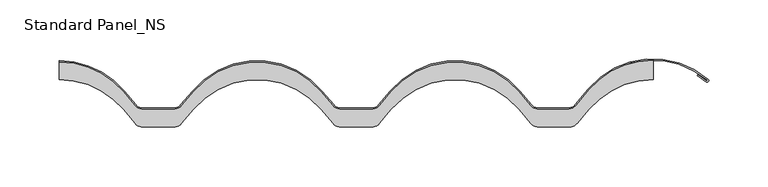
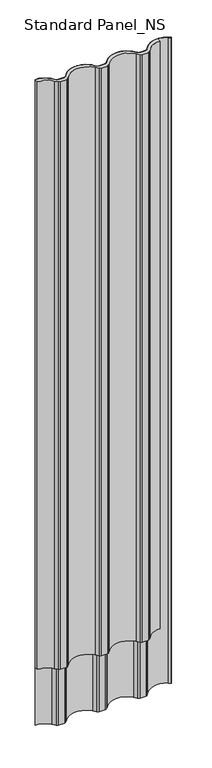
"""IFC4 building model written with IfcOpenShell, lengths in millimetres: proxy geometry, Standard Panel_NS."""

import ifcopenshell
import ifcopenshell.guid

model = None  # the IFC model being written
_history = None  # IfcOwnerHistory: only IFC2X3 demands one
_inside = {}  # id of a spatial element -> (the spatial element, [elements in it])
_under = {}  # id of a project, library or spatial element -> (it, [spatial elements below it])
_declared = {}  # id of a project -> (the project, [libraries it declares])
_typed = {}  # id of a type object -> (the type object, [elements of that type])
_made_of = {}  # id of a material, layer set ... -> (it, [elements and type objects made of it])


def new_model(schema):
    """Start an empty IFC model of exactly this schema.

    Asked for "IFC4X3", IfcOpenShell would pick the latest addendum, in which some entities
    have other attributes; the version numbers below select the first issue.
    IFC2X3 requires an IfcOwnerHistory on every rooted entity: one is made here for all.
    """
    global model, _history
    if schema == "IFC4X3":
        model = ifcopenshell.file(schema_version=(4, 3, 0, 0))
    else:
        model = ifcopenshell.file(schema=schema)
    _inside.clear()
    _under.clear()
    _declared.clear()
    _typed.clear()
    _made_of.clear()
    _history = None
    if model.schema == "IFC2X3":
        org = make("IfcOrganization", Name="unknown")
        user = make(
            "IfcPersonAndOrganization",
            ThePerson=make("IfcPerson", FamilyName="unknown"),
            TheOrganization=org,
        )
        app = make(
            "IfcApplication",
            ApplicationDeveloper=org,
            Version="unknown",
            ApplicationFullName="unknown",
            ApplicationIdentifier="unknown",
        )
        _history = make(
            "IfcOwnerHistory",
            OwningUser=user,
            OwningApplication=app,
            ChangeAction="ADDED",
            CreationDate=0,
        )
    return model


def make(cls, **values):
    """One entity of the class cls with the attributes given. An attribute that is None is left unset."""
    return model.create_entity(
        cls, **{name: value for name, value in values.items() if value is not None}
    )


def rooted(cls, **values):
    """An entity with a GlobalId (a new one), such as an element, a storey or a relation."""
    return make(cls, GlobalId=ifcopenshell.guid.new(), OwnerHistory=_history, **values)


def si_unit(unit_type, name, prefix=None):
    """IfcSIUnit, for example si_unit("LENGTHUNIT", "METRE", prefix="MILLI")."""
    return make("IfcSIUnit", UnitType=unit_type, Prefix=prefix, Name=name)


def assignment(units):
    """IfcUnitAssignment: the units of a project."""
    return None if units is None else make("IfcUnitAssignment", Units=units)


def point(xyz):
    """IfcCartesianPoint."""
    return None if xyz is None else make("IfcCartesianPoint", Coordinates=xyz)


def direction(xyz):
    """IfcDirection."""
    return None if xyz is None else make("IfcDirection", DirectionRatios=xyz)


def frame(location, z_axis=None, x_axis=None):
    """IfcAxis2Placement3D, a coordinate frame: its origin and axes. An axis left out is left unset."""
    return make(
        "IfcAxis2Placement3D",
        Location=point(location),
        Axis=direction(z_axis),
        RefDirection=direction(x_axis),
    )


def frame_2d(location, x_axis=None):
    """IfcAxis2Placement2D, a coordinate frame in the plane: its origin and x axis."""
    return make(
        "IfcAxis2Placement2D", Location=point(location), RefDirection=direction(x_axis)
    )


def origin():
    """The frame at (0, 0, 0) with its axes left unset."""
    return frame((0.0, 0.0, 0.0))


def origin_with_axes():
    """The frame at (0, 0, 0) with the z axis (0, 0, 1) and the x axis (1, 0, 0) written out."""
    return frame((0.0, 0.0, 0.0), z_axis=(0.0, 0.0, 1.0), x_axis=(1.0, 0.0, 0.0))


def place(relative_to, where):
    """IfcLocalPlacement: puts the frame where relative to a parent placement (None: the world)."""
    return make(
        "IfcLocalPlacement", PlacementRelTo=relative_to, RelativePlacement=where
    )


def context(
    kind, dimensions, precision=None, world=None, true_north=None, identifier=None
):
    """IfcGeometricRepresentationContext, for example the 3D "Model" context."""
    return make(
        "IfcGeometricRepresentationContext",
        ContextIdentifier=identifier,
        ContextType=kind,
        CoordinateSpaceDimension=dimensions,
        Precision=precision,
        WorldCoordinateSystem=world,
        TrueNorth=true_north,
    )


def project(units=None, contexts=None):
    """IfcProject with its units and contexts."""
    return rooted(
        "IfcProject",
        Name="project",
        RepresentationContexts=contexts,
        UnitsInContext=assignment(units),
    )


def spatial(cls, under=None, at=None, **own):
    """A site, building, storey or space (cls), placed at a placement, below another one or the project."""
    s = rooted(cls, ObjectPlacement=at, **own)
    if under is not None:
        _under.setdefault(under.id(), (under, []))[1].append(s)
    return s


def polyline(points):
    """IfcPolyline through the points."""
    return make("IfcPolyline", Points=[point(p) for p in points])


def circle_curve(where, radius):
    """IfcCircle in the frame where."""
    return make("IfcCircle", Position=where, Radius=radius)


def trimmed(basis, trim1, trim2, sense, master):
    """IfcTrimmedCurve: the piece of a basis curve between two trims."""
    return make(
        "IfcTrimmedCurve",
        BasisCurve=basis,
        Trim1=trim1,
        Trim2=trim2,
        SenseAgreement=sense,
        MasterRepresentation=master,
    )


def segment(curve, same_sense, transition):
    """IfcCompositeCurveSegment."""
    return make(
        "IfcCompositeCurveSegment",
        Transition=transition,
        SameSense=same_sense,
        ParentCurve=curve,
    )


def composite_curve(segments, self_intersect=None):
    """IfcCompositeCurve: segments joined end to end."""
    return make("IfcCompositeCurve", Segments=segments, SelfIntersect=self_intersect)


def outline(outer, holes=None, kind="AREA"):
    """IfcArbitraryClosedProfileDef: a profile drawn as a closed curve; with holes, ...WithVoids."""
    if holes is None:
        return make("IfcArbitraryClosedProfileDef", ProfileType=kind, OuterCurve=outer)
    return make(
        "IfcArbitraryProfileDefWithVoids",
        ProfileType=kind,
        OuterCurve=outer,
        InnerCurves=holes,
    )


def extrude(swept, where, along, depth):
    """IfcExtrudedAreaSolid: the profile swept, set in the frame where, extruded along a direction by depth."""
    return make(
        "IfcExtrudedAreaSolid",
        SweptArea=swept,
        Position=where,
        ExtrudedDirection=direction(along),
        Depth=depth,
    )


def shape(context_of_items, identifier, shape_type, items):
    """IfcShapeRepresentation: the items that make up one representation, for example the "Body"."""
    return make(
        "IfcShapeRepresentation",
        ContextOfItems=context_of_items,
        RepresentationIdentifier=identifier,
        RepresentationType=shape_type,
        Items=items,
    )


def source(mapping_origin, context_of_items, identifier, shape_type, items):
    """IfcRepresentationMap: a shape defined once, which mapped items show again and again."""
    return make(
        "IfcRepresentationMap",
        MappingOrigin=mapping_origin,
        MappedRepresentation=shape(context_of_items, identifier, shape_type, items),
    )


def transform(
    local_origin,
    x_axis=None,
    y_axis=None,
    z_axis=None,
    scale=None,
    scale2=None,
    scale3=None,
    uniform=True,
):
    """IfcCartesianTransformationOperator3D, or its non-uniform kind. x_axis, y_axis, z_axis: its Axis1, 2, 3."""
    if uniform:
        return make(
            "IfcCartesianTransformationOperator3D",
            Axis1=direction(x_axis),
            Axis2=direction(y_axis),
            LocalOrigin=point(local_origin),
            Scale=scale,
            Axis3=direction(z_axis),
        )
    return make(
        "IfcCartesianTransformationOperator3DnonUniform",
        Axis1=direction(x_axis),
        Axis2=direction(y_axis),
        LocalOrigin=point(local_origin),
        Scale=scale,
        Axis3=direction(z_axis),
        Scale2=scale2,
        Scale3=scale3,
    )


def mapped(mapping_source, mapping_target):
    """IfcMappedItem: shows the shape of a source again, moved by a transform."""
    return make(
        "IfcMappedItem", MappingSource=mapping_source, MappingTarget=mapping_target
    )


def made_of(thing, what):
    """Note that an element or type object is made of a material, layer set ...; save() writes the relation."""
    if what is not None:
        _made_of.setdefault(what.id(), (what, []))[1].append(thing)
    return thing


def element(
    cls,
    number,
    at=None,
    inside=None,
    cuts=None,
    type_object=None,
    material=None,
    context=None,
    identifier="Body",
    shape_type=None,
    held_by="IfcProductDefinitionShape",
    body=None,
    shapes=None,
    **own,
):
    """One element of the class cls, such as IfcWall. Its Tag is "e" and its number.

    at: its placement. inside: the storey or other place that contains it. cuts: it is an
    opening in that element (IfcRelVoidsElement). A single representation is given by context,
    identifier, shape_type and body (its items); several are given by shapes. held_by: the class
    of the entity that holds the representations. save() writes the other relations.
    """
    e = rooted(cls, Tag="e%d" % number, ObjectPlacement=at, **own)
    if body is not None:
        shapes = [shape(context, identifier, shape_type, body)]
    if shapes is not None:
        e.Representation = make(held_by, Representations=shapes)
    if inside is not None:
        _inside.setdefault(inside.id(), (inside, []))[1].append(e)
    if cuts is not None:
        rooted(
            "IfcRelVoidsElement", RelatingBuildingElement=cuts, RelatedOpeningElement=e
        )
    if type_object is not None:
        _typed.setdefault(type_object.id(), (type_object, []))[1].append(e)
    return made_of(e, material)


def aggregate(whole, parts):
    """IfcRelAggregates: a whole, such as a stair, and the parts it consists of."""
    return rooted("IfcRelAggregates", RelatingObject=whole, RelatedObjects=parts)


def save(model, path):
    """Write the relations noted so far, then the file.

    IfcRelAggregates (storeys below a building ...), IfcRelContainedInSpatialStructure (elements
    in a storey), IfcRelDefinesByType, IfcRelAssociatesMaterial and IfcRelDeclares: one each for
    every whole, place, type object, material and project.
    """
    for whole, parts in _under.values():
        aggregate(whole, parts)
    for where, things in _inside.values():
        rooted(
            "IfcRelContainedInSpatialStructure",
            RelatedElements=things,
            RelatingStructure=where,
        )
    for kind, things in _typed.values():
        rooted("IfcRelDefinesByType", RelatedObjects=things, RelatingType=kind)
    for what, things in _made_of.values():
        rooted("IfcRelAssociatesMaterial", RelatedObjects=things, RelatingMaterial=what)
    for by, libraries in _declared.values():
        rooted("IfcRelDeclares", RelatingContext=by, RelatedDefinitions=libraries)
    model.write(path)


def standard_panel_ns_2c4b7557(model_context):
    return source(origin(), model_context, "Body", "SweptSolid", [
        extrude(outline(composite_curve([segment(polyline([(-196.3208854, 29.9680851), (-186.533736, 18.3042146)]), True, "CONTINUOUS"), segment(trimmed(circle_curve(frame_2d((-179.4478249, 24.25)), 9.25), [point((-186.533736, 18.3042146))], [point((-179.4478249, 15.0))], True, "CARTESIAN"), True, "CONTINUOUS"), segment(polyline([(-179.4478249, 15.0), (-153.8901754, 15.0)]), True, "CONTINUOUS"), segment(trimmed(circle_curve(frame_2d((-153.8901754, 24.25)), 9.25), [point((-153.8901754, 15.0))], [point((-146.8042643, 18.3042146))], True, "CARTESIAN"), True, "CONTINUOUS"), segment(polyline([(-146.8042643, 18.3042146), (-137.0171149, 29.9680851)]), True, "CONTINUOUS"), segment(trimmed(circle_curve(frame_2d((-83.3360002, -15.0757185)), 70.0757185), [point((-137.0171149, 29.9680851))], [point((-29.6548854, 29.9680851))], False, "CARTESIAN"), True, "CONTINUOUS"), segment(polyline([(-29.6548854, 29.9680851), (-19.867736, 18.3042146)]), True, "CONTINUOUS"), segment(trimmed(circle_curve(frame_2d((-12.7818249, 24.25)), 9.25), [point((-19.867736, 18.3042146))], [point((-12.7818249, 15.0))], True, "CARTESIAN"), True, "CONTINUOUS"), segment(polyline([(-12.7818249, 15.0), (12.7758246, 15.0)]), True, "CONTINUOUS"), segment(trimmed(circle_curve(frame_2d((12.7758246, 24.25)), 9.25), [point((12.7758246, 15.0))], [point((19.8617357, 18.3042146))], True, "CARTESIAN"), True, "CONTINUOUS"), segment(polyline([(19.8617357, 18.3042146), (29.6488851, 29.9680851)]), True, "CONTINUOUS"), segment(trimmed(circle_curve(frame_2d((83.3299998, -15.0757185)), 70.0757185), [point((29.6488851, 29.9680851))], [point((137.0111146, 29.9680851))], False, "CARTESIAN"), True, "CONTINUOUS"), segment(polyline([(137.0111146, 29.9680851), (146.798264, 18.3042146)]), True, "CONTINUOUS"), segment(trimmed(circle_curve(frame_2d((153.8841751, 24.25)), 9.25), [point((146.798264, 18.3042146))], [point((153.8841751, 15.0))], True, "CARTESIAN"), True, "CONTINUOUS"), segment(polyline([(153.8841751, 15.0), (177.9886197, 15.0)]), True, "CONTINUOUS"), segment(trimmed(circle_curve(frame_2d((177.9886197, 24.5546837)), 9.5546837), [point((177.9886197, 15.0))], [point((185.3078486, 18.412952))], True, "CARTESIAN"), True, "CONTINUOUS"), segment(polyline([(185.3078486, 18.412952), (196.315903, 31.5314785)]), True, "CONTINUOUS"), segment(trimmed(circle_curve(frame_2d((249.9965208, -13.5131508)), 70.0758685), [point((196.315903, 31.5314785))], [point((249.9999091, 56.5627177))], False, "CARTESIAN"), True, "CONTINUOUS"), segment(polyline([(249.9999091, 56.5627177), (249.9999091, 39.9999999)]), True, "CONTINUOUS"), segment(trimmed(circle_curve(frame_2d((249.9967506, -30.5757185)), 70.5757185), [point((249.9999091, 39.9999999))], [point((195.93412, 14.7912741))], True, "CARTESIAN"), True, "CONTINUOUS"), segment(polyline([(195.93412, 14.7912741), (186.2053543, 3.1977644)]), True, "CONTINUOUS"), segment(trimmed(circle_curve(frame_2d((179.4425753, 8.75)), 8.75), [point((186.2053543, 3.1977644))], [point((179.4425753, 0.0))], False, "CARTESIAN"), True, "CONTINUOUS"), segment(polyline([(179.4425753, 0.0), (153.8842659, 0.0)]), True, "CONTINUOUS"), segment(trimmed(circle_curve(frame_2d((153.8842659, 8.75)), 8.75), [point((153.8842659, 0.0))], [point((147.181377, 3.1256084))], False, "CARTESIAN"), True, "CONTINUOUS"), segment(polyline([(147.181377, 3.1256084), (137.3942276, 14.7894789)]), True, "CONTINUOUS"), segment(trimmed(circle_curve(frame_2d((83.3300906, -30.5757185)), 70.5757185), [point((137.3942276, 14.7894789))], [point((29.2659536, 14.7894789))], True, "CARTESIAN"), True, "CONTINUOUS"), segment(polyline([(29.2659536, 14.7894789), (19.4788042, 3.1256084)]), True, "CONTINUOUS"), segment(trimmed(circle_curve(frame_2d((12.7759153, 8.75)), 8.75), [point((19.4788042, 3.1256084))], [point((12.7759153, 0.0))], False, "CARTESIAN"), True, "CONTINUOUS"), segment(polyline([(12.7759153, 0.0), (-12.7817341, 0.0)]), True, "CONTINUOUS"), segment(trimmed(circle_curve(frame_2d((-12.7817341, 8.75)), 8.75), [point((-12.7817341, 0.0))], [point((-19.484623, 3.1256084))], False, "CARTESIAN"), True, "CONTINUOUS"), segment(polyline([(-19.484623, 3.1256084), (-29.2717724, 14.7894789)]), True, "CONTINUOUS"), segment(trimmed(circle_curve(frame_2d((-83.3359094, -30.5757185)), 70.5757185), [point((-29.2717724, 14.7894789))], [point((-137.4000464, 14.7894789))], True, "CARTESIAN"), True, "CONTINUOUS"), segment(polyline([(-137.4000464, 14.7894789), (-147.1871958, 3.1256084)]), True, "CONTINUOUS"), segment(trimmed(circle_curve(frame_2d((-153.8900847, 8.75)), 8.75), [point((-147.1871958, 3.1256084))], [point((-153.8900847, 0.0))], False, "CARTESIAN"), True, "CONTINUOUS"), segment(polyline([(-153.8900847, 0.0), (-179.4477341, 0.0)]), True, "CONTINUOUS"), segment(trimmed(circle_curve(frame_2d((-179.4477341, 8.75)), 8.75), [point((-179.4477341, 0.0))], [point((-186.150623, 3.1256084))], False, "CARTESIAN"), True, "CONTINUOUS"), segment(polyline([(-186.150623, 3.1256084), (-195.9377724, 14.7894789)]), True, "CONTINUOUS"), segment(trimmed(circle_curve(frame_2d((-250.0019094, -30.5757185)), 70.5757185), [point((-195.9377724, 14.7894789))], [point((-250.0000002, 40.0))], True, "CARTESIAN"), True, "CONTINUOUS"), segment(polyline([(-250.0000002, 40.0), (-250.0000002, 55.0)]), True, "CONTINUOUS"), segment(trimmed(circle_curve(frame_2d((-250.0020002, -15.0757185)), 70.0757185), [point((-250.0000002, 55.0))], [point((-196.3208854, 29.9680851))], False, "CARTESIAN"), True, "CONTINUOUS")], self_intersect=False)), origin_with_axes(), (0.0, 0.0, 1.0), 2527.968552),
        extrude(outline(composite_curve([segment(polyline([(-195.5548409, 30.6108727), (-185.7676915, 18.9470022)]), True, "CONTINUOUS"), segment(trimmed(circle_curve(frame_2d((-179.4478249, 24.25)), 8.25), [point((-185.7676915, 18.9470022))], [point((-179.4478249, 16.0))], True, "CARTESIAN"), True, "CONTINUOUS"), segment(polyline([(-179.4478249, 16.0), (-153.8901754, 16.0)]), True, "CONTINUOUS"), segment(trimmed(circle_curve(frame_2d((-153.8901754, 24.25)), 8.25), [point((-153.8901754, 16.0))], [point((-147.5703088, 18.9470022))], True, "CARTESIAN"), True, "CONTINUOUS"), segment(polyline([(-147.5703088, 18.9470022), (-137.7831594, 30.6108727)]), True, "CONTINUOUS"), segment(trimmed(circle_curve(frame_2d((-83.3360002, -15.0757185)), 71.0757185), [point((-137.7831594, 30.6108727))], [point((-28.8888409, 30.6108727))], False, "CARTESIAN"), True, "CONTINUOUS"), segment(polyline([(-28.8888409, 30.6108727), (-19.1016915, 18.9470022)]), True, "CONTINUOUS"), segment(trimmed(circle_curve(frame_2d((-12.7818249, 24.25)), 8.25), [point((-19.1016915, 18.9470022))], [point((-12.7818249, 16.0))], True, "CARTESIAN"), True, "CONTINUOUS"), segment(polyline([(-12.7818249, 16.0), (12.7758246, 16.0)]), True, "CONTINUOUS"), segment(trimmed(circle_curve(frame_2d((12.7758246, 24.25)), 8.25), [point((12.7758246, 16.0))], [point((19.0956912, 18.9470022))], True, "CARTESIAN"), True, "CONTINUOUS"), segment(polyline([(19.0956912, 18.9470022), (28.8828406, 30.6108727)]), True, "CONTINUOUS"), segment(trimmed(circle_curve(frame_2d((83.3299998, -15.0757185)), 71.0757185), [point((28.8828406, 30.6108727))], [point((137.7771591, 30.6108727))], False, "CARTESIAN"), True, "CONTINUOUS"), segment(polyline([(137.7771591, 30.6108727), (147.5643085, 18.9470022)]), True, "CONTINUOUS"), segment(trimmed(circle_curve(frame_2d((153.8841751, 24.25)), 8.25), [point((147.5643085, 18.9470022))], [point((153.8841751, 16.0))], True, "CARTESIAN"), True, "CONTINUOUS"), segment(polyline([(153.8841751, 16.0), (177.9886197, 16.0)]), True, "CONTINUOUS"), segment(trimmed(circle_curve(frame_2d((177.9886197, 24.5546837)), 8.5546837), [point((177.9886197, 16.0))], [point((184.5418129, 19.05575))], True, "CARTESIAN"), True, "CONTINUOUS"), segment(polyline([(184.5418129, 19.05575), (195.5498673, 32.1742765)]), True, "CONTINUOUS"), segment(trimmed(circle_curve(frame_2d((249.9965208, -13.5131508)), 71.0758685), [point((195.5498673, 32.1742765))], [point((296.4302846, 40.2984155))], False, "CARTESIAN"), True, "CONTINUOUS"), segment(trimmed(circle_curve(frame_2d((295.5107918, 39.3124043)), 1.3482155), [point((296.4302846, 40.2984155))], [point((294.6709925, 38.2576901))], False, "CARTESIAN"), True, "CONTINUOUS"), segment(polyline([(294.6709925, 38.2576901), (287.1924343, 43.4663257), (287.7639542, 44.2869139), (295.2774083, 39.0539742)]), True, "CONTINUOUS"), segment(trimmed(circle_curve(frame_2d((295.5107918, 39.3124043)), 0.3482155), [point((295.2774083, 39.0539742))], [point((295.7576614, 39.5579841))], True, "CARTESIAN"), True, "CONTINUOUS"), segment(trimmed(circle_curve(frame_2d((249.9965208, -13.5131508)), 70.0758685), [point((295.7576614, 39.5579841))], [point((196.315903, 31.5314785))], True, "CARTESIAN"), True, "CONTINUOUS"), segment(polyline([(196.315903, 31.5314785), (185.3078486, 18.412952)]), True, "CONTINUOUS"), segment(trimmed(circle_curve(frame_2d((177.9886197, 24.5546837)), 9.5546837), [point((185.3078486, 18.412952))], [point((177.9886197, 15.0))], False, "CARTESIAN"), True, "CONTINUOUS"), segment(polyline([(177.9886197, 15.0), (153.8841751, 15.0)]), True, "CONTINUOUS"), segment(trimmed(circle_curve(frame_2d((153.8841751, 24.25)), 9.25), [point((153.8841751, 15.0))], [point((146.798264, 18.3042146))], False, "CARTESIAN"), True, "CONTINUOUS"), segment(polyline([(146.798264, 18.3042146), (137.0111146, 29.9680851)]), True, "CONTINUOUS"), segment(trimmed(circle_curve(frame_2d((83.3299998, -15.0757185)), 70.0757185), [point((137.0111146, 29.9680851))], [point((29.6488851, 29.9680851))], True, "CARTESIAN"), True, "CONTINUOUS"), segment(polyline([(29.6488851, 29.9680851), (19.8617357, 18.3042146)]), True, "CONTINUOUS"), segment(trimmed(circle_curve(frame_2d((12.7758246, 24.25)), 9.25), [point((19.8617357, 18.3042146))], [point((12.7758246, 15.0))], False, "CARTESIAN"), True, "CONTINUOUS"), segment(polyline([(12.7758246, 15.0), (-12.7818249, 15.0)]), True, "CONTINUOUS"), segment(trimmed(circle_curve(frame_2d((-12.7818249, 24.25)), 9.25), [point((-12.7818249, 15.0))], [point((-19.867736, 18.3042146))], False, "CARTESIAN"), True, "CONTINUOUS"), segment(polyline([(-19.867736, 18.3042146), (-29.6548854, 29.9680851)]), True, "CONTINUOUS"), segment(trimmed(circle_curve(frame_2d((-83.3360002, -15.0757185)), 70.0757185), [point((-29.6548854, 29.9680851))], [point((-137.0171149, 29.9680851))], True, "CARTESIAN"), True, "CONTINUOUS"), segment(polyline([(-137.0171149, 29.9680851), (-146.8042643, 18.3042146)]), True, "CONTINUOUS"), segment(trimmed(circle_curve(frame_2d((-153.8901754, 24.25)), 9.25), [point((-146.8042643, 18.3042146))], [point((-153.8901754, 15.0))], False, "CARTESIAN"), True, "CONTINUOUS"), segment(polyline([(-153.8901754, 15.0), (-179.4478249, 15.0)]), True, "CONTINUOUS"), segment(trimmed(circle_curve(frame_2d((-179.4478249, 24.25)), 9.25), [point((-179.4478249, 15.0))], [point((-186.533736, 18.3042146))], False, "CARTESIAN"), True, "CONTINUOUS"), segment(polyline([(-186.533736, 18.3042146), (-196.3208854, 29.9680851)]), True, "CONTINUOUS"), segment(trimmed(circle_curve(frame_2d((-250.0020002, -15.0757185)), 70.0757185), [point((-196.3208854, 29.9680851))], [point((-250.0000002, 55.0))], True, "CARTESIAN"), True, "CONTINUOUS"), segment(polyline([(-250.0000002, 55.0), (-250.0000002, 56.0)]), True, "CONTINUOUS"), segment(trimmed(circle_curve(frame_2d((-250.0020002, -15.0757185)), 71.0757185), [point((-250.0000002, 56.0))], [point((-195.5548409, 30.6108727))], False, "CARTESIAN"), True, "CONTINUOUS")], self_intersect=False)), frame((0.0, 0.0, -250.0), z_axis=(0.0, 0.0, 1.0), x_axis=(1.0, 0.0, 0.0)), (0.0, 0.0, 1.0), 2777.968552),
    ])


if __name__ == "__main__":
    model = new_model("IFC4")
    model_context = context("Model", 3, world=origin())
    ifc_project = project(units=[si_unit("LENGTHUNIT", "METRE", prefix="MILLI")], contexts=[model_context])
    site = spatial("IfcSite", under=ifc_project)
    building = spatial("IfcBuilding", under=site)
    placement = place(None, origin())
    standard_panel_ns_shape = standard_panel_ns_2c4b7557(model_context)
    element("IfcBuildingElementProxy", 1, Name="Standard Panel_NS", ObjectType="Standard Panel_NS", at=placement, inside=building, context=model_context, shape_type="MappedRepresentation", body=[
        mapped(standard_panel_ns_shape, transform((0.0, 0.0, 0.0), x_axis=(1.0, 0.0, 0.0), y_axis=(0.0, 1.0, 0.0), z_axis=(0.0, 0.0, 1.0))),
    ])
    save(model, "model.ifc")
